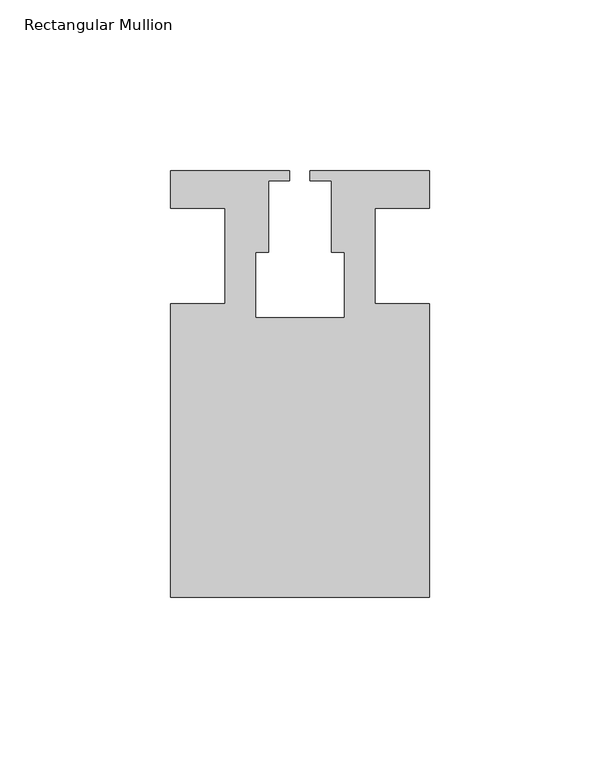
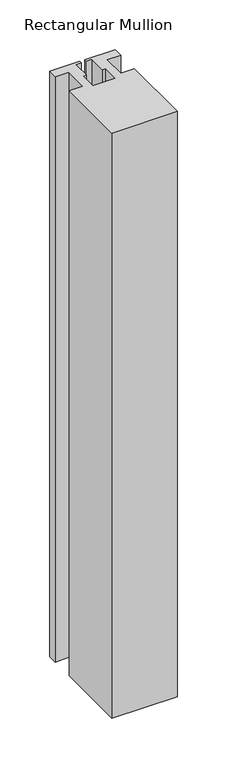
"""IFC4 building model written with IfcOpenShell, lengths in millimetres: member geometry, Rectangular Mullion."""

from ifc_helpers import new_model, si_unit, frame, origin, place, context, project, spatial, polyline, outline, extrude, source, transform, mapped, element, save


def rectangular_mullion_5514312a(model_context):
    return source(origin(), model_context, "Body", "SweptSolid", [
        extrude(outline(polyline([(37.9999914, -99.9960123), (-37.9999896, -99.9960123), (-37.9999896, -13.9960123), (-21.9999633, -13.9960123), (-21.9999633, 14.0039877), (-37.9999896, 14.0039877), (-37.9999896, 25.0039877), (-2.9999896, 25.0039877), (-2.9999896, 22.0039877), (-9.1999633, 22.0039877), (-9.1999633, 1.0039877), (-12.9999633, 1.0039877), (-12.9999633, -18.1960075), (12.9999651, -18.1960075), (12.9999651, 1.0039877), (9.1999651, 1.0039877), (9.1999651, 22.0039877), (2.9999651, 22.0039877), (2.9999651, 25.0039877), (37.9999896, 25.0039877), (37.9999896, 14.0039877), (21.9999651, 14.0039877), (21.9999651, -13.9960123), (37.9999914, -13.9960123), (37.9999914, -99.9960123)])), frame((0.0, 0.0, -718.9800745), z_axis=(0.0, 0.0, 1.0), x_axis=(1.0, 0.0, 0.0)), (0.0, 0.0, 1.0), 718.9800745),
    ])


if __name__ == "__main__":
    model = new_model("IFC4")
    model_context = context("Model", 3, world=origin())
    ifc_project = project(units=[si_unit("LENGTHUNIT", "METRE", prefix="MILLI")], contexts=[model_context])
    site = spatial("IfcSite", under=ifc_project)
    building = spatial("IfcBuilding", under=site)
    placement = place(None, origin())
    rectangular_mullion_shape = rectangular_mullion_5514312a(model_context)
    element("IfcMember", 1, ObjectType="Rectangular Mullion", at=placement, inside=building, context=model_context, shape_type="MappedRepresentation", body=[
        mapped(rectangular_mullion_shape, transform((0.0, 0.0, 0.0), x_axis=(1.0, 0.0, 0.0), y_axis=(0.0, 1.0, 0.0), z_axis=(0.0, 0.0, 1.0))),
    ])
    save(model, "model.ifc")
